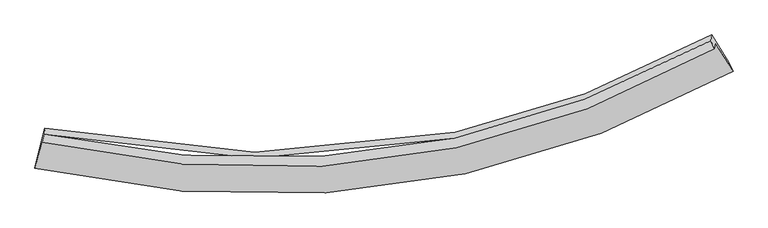
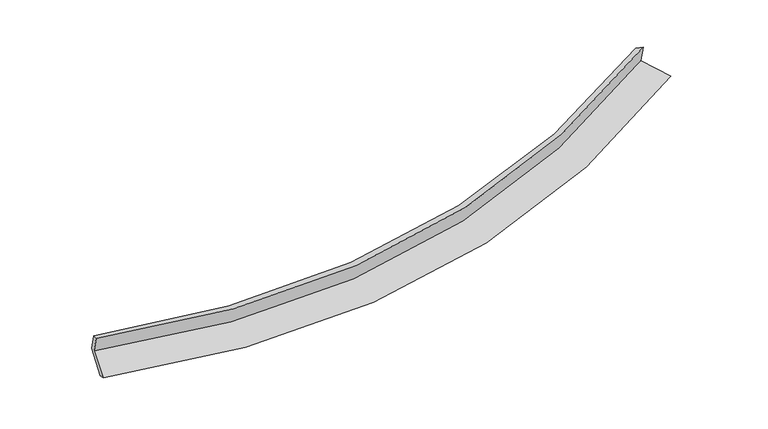
"""IFC4 building model written with IfcOpenShell, lengths in millimetres: proxy geometry."""

from ifc_helpers import new_model, si_unit, frame, origin, place, context, project, spatial, source, transform, mapped, element, save
from ifc_brep_helpers import plane_surface, spline_curve, spline_surface, advanced_brep


def generic_models_e8213ea3(model_context):
    return source(origin(), model_context, "Body", "AdvancedBrep", [
        advanced_brep(
        [(-7111.1659522, -2077.1838093, 1478.1006821), (-7269.5439875, -2697.1166669, 1287.441895), (6386.48191, -794.9292097, 2415.1160949), (6038.1365275, -247.0731369, 2563.848041), (-7126.2469669, -2187.9496002, 1850.7866506), (6022.6313796, -360.9540664, 2947.0153003), (-7088.2939933, -2026.3865867, 1798.2248566), (5950.1658176, -200.3822964, 2851.0413132), (-7073.2856454, -1916.1545127, 1427.3346486), (5965.5170919, -87.6315247, 2471.6766176), (-7230.3647188, -2527.9106745, 1214.8787687), (6306.2999257, -623.5936888, 2326.1736294)],
        [
            (0, 1),
            (1, 2, spline_curve(3, [(-7269.5439875, -2697.1166669, 1287.441895), (-4337.168734804, -3346.915655705, 1183.901368041), (-1532.682294112, -3382.595411198, 1276.225576396), (2949.644010091, -2413.919933466, 1758.837106429), (4697.166202051, -1744.17769278, 2042.404298928), (6386.48191, -794.9292097, 2415.1160949)], [4, 2, 4], [0.0, 27.122108975274763, 45.41965559504362])),
            (2, 3),
            (3, 0, spline_curve(3, [(6038.1365275, -247.0731369, 2563.848041), (4410.181378656, -1158.74831977, 2204.786385583), (2726.71276823, -1802.154691301, 1931.638438071), (-1589.929701175, -2733.351599724, 1466.870411861), (-4289.561917431, -2699.982118428, 1378.10257289), (-7111.1659522, -2077.1838093, 1478.1006821)], [4, 2, 4], [0.0, 18.29754661976886, 45.41965559504362])),
            (4, 0),
            (3, 5),
            (5, 4, spline_curve(3, [(6022.6313796, -360.9540664, 2947.0153003), (4394.439480218, -1274.368117168, 2593.804292769), (2710.852439805, -1918.644323891, 2323.583018181), (-1605.790301347, -2849.843221142, 1858.821686907), (-4305.162708742, -2814.565526166, 1763.63341144), (-7126.2469669, -2187.9496002, 1850.7866506)], [4, 2, 4], [0.0, 17.95035916459214, 44.557838709494106])),
            (6, 4),
            (5, 7),
            (7, 6, spline_curve(3, [(5950.1658176, -200.3822964, 2851.0413132), (4332.552526747, -1098.215737156, 2517.360192512), (2661.25580802, -1733.13444068, 2261.149576965), (-1620.629944974, -2656.552885015, 1817.46636285), (-4295.486495744, -2630.302278516, 1722.738159769), (-7088.2939933, -2026.3865867, 1798.2248566)], [4, 2, 4], [0.0, 17.868074458768326, 44.35358493291298])),
            (8, 6),
            (7, 9),
            (9, 8, spline_curve(3, [(5965.5170919, -87.6315247, 2471.6766176), (4348.16409822, -983.553153988, 2131.562958276), (2677.004263418, -1617.466484487, 1871.969633553), (-1604.848052003, -2540.63934531, 1427.460120936), (-4279.955796329, -2516.23367744, 1338.939456448), (-7073.2856454, -1916.1545127, 1427.3346486)], [4, 2, 4], [0.0, 17.786008083878713, 44.14987311510059])),
            (10, 8),
            (9, 11),
            (11, 10, spline_curve(3, [(6306.2999257, -623.5936888, 2326.1736294), (4629.54574174, -1557.533965328, 1974.556352454), (2895.981737764, -2218.250193817, 1704.471722153), (-1548.229509474, -3180.114739424, 1236.432682624), (-4326.887052965, -3154.170839613, 1136.085693056), (-7230.3647188, -2527.9106745, 1214.8787687)], [4, 2, 4], [0.0, 18.12840042730424, 44.99978718499921])),
            (1, 10),
            (11, 2),
        ],
        [
            spline_surface(3, 3, [[(-7111.1659522, -2077.1838093, 1478.1006821), (-4289.561917176, -2699.982118146, 1378.102572639), (-1589.929701247, -2733.351599359, 1466.870411796), (2726.712768279, -1802.154691547, 1931.638438115), (4410.181378883, -1158.748319567, 2204.786385292), (6038.1365275, -247.0731369, 2563.848041)], [(-7163.958630634, -2283.828095162, 1414.547753041), (-4305.430856516, -2915.626630583, 1313.368837755), (-1570.847232275, -2949.766203237, 1403.322133174), (2801.023182271, -2006.07643893, 1874.037994316), (4505.842986535, -1353.891443864, 2150.659023133), (6154.251654982, -429.691827827, 2514.270725649)], [(-7216.751309066, -2490.472381038, 1350.994824059), (-4321.299795856, -3131.271143035, 1248.635102948), (-1551.764763314, -3166.180807061, 1339.773854567), (2875.333596253, -2209.998186258, 1816.437550532), (4601.504594241, -1549.034568181, 2096.531660928), (6270.366782518, -612.310518773, 2464.693410251)], [(-7269.5439875, -2697.1166669, 1287.441895), (-4337.168735196, -3346.915655472, 1183.901368064), (-1532.682294342, -3382.59541094, 1276.225575945), (2949.644010245, -2413.919933641, 1758.837106733), (4697.166201893, -1744.177692478, 2042.404298769), (6386.48191, -794.9292097, 2415.1160949)]], [4, 4], [4, 2, 4], [0.0, 2.2006156090015003], [0.0, 27.122108975274763, 45.41965559504362]),
            spline_surface(3, 3, [[(-7126.2469669, -2187.9496002, 1850.7866506), (-4305.162709112, -2814.565525947, 1763.63341175), (-1605.790300934, -2849.843221437, 1858.821687113), (2710.852439526, -1918.644323692, 2323.583018042), (4394.439480164, -1274.368116924, 2593.804292577), (6022.6313796, -360.9540664, 2947.0153003)], [(-7121.219961998, -2151.027669906, 1726.557994448), (-4299.962445131, -2776.371056686, 1635.123132061), (-1600.503434378, -2811.012680739, 1728.171262008), (2716.139215771, -1879.814446305, 2192.934824734), (4399.686779747, -1235.828184456, 2464.131656812), (6027.799762244, -322.99375655, 2819.29288053)], [(-7116.192957102, -2114.105739594, 1602.329338252), (-4294.762181157, -2738.176587407, 1506.612852329), (-1595.216567803, -2772.182140057, 1597.520836901), (2721.425992034, -1840.984568934, 2062.286631423), (4404.934079299, -1197.288252036, 2334.459021057), (6032.968144856, -285.03344675, 2691.57046077)], [(-7111.1659522, -2077.1838093, 1478.1006821), (-4289.561917176, -2699.982118146, 1378.102572639), (-1589.929701247, -2733.351599359, 1466.870411796), (2726.712768279, -1802.154691547, 1931.638438115), (4410.181378883, -1158.748319567, 2204.786385292), (6038.1365275, -247.0731369, 2563.848041)]], [4, 4], [4, 2, 4], [0.0, 1.3407776345956157], [0.0, 26.607479544901967, 44.557838709494106]),
            spline_surface(3, 3, [[(-7088.2939933, -2026.3865867, 1798.2248566), (-4295.486496001, -2630.302278281, 1722.738159878), (-1620.629944563, -2656.552885058, 1817.466362933), (2661.255807743, -1733.134440651, 2261.149576909), (4332.552526642, -1098.215737062, 2517.360192753), (5950.1658176, -200.3822964, 2851.0413132)], [(-7100.944984519, -2080.240924553, 1815.745454592), (-4298.711900391, -2691.723360856, 1736.369910493), (-1615.683396693, -2720.98299718, 1831.251471014), (2677.788018331, -1794.971068327, 2281.960723974), (4353.181511158, -1156.933197017, 2542.841559369), (5974.321004942, -253.906219735, 2883.032642242)], [(-7113.595975681, -2134.095262347, 1833.266052608), (-4301.937304722, -2753.144443372, 1750.001661134), (-1610.736848805, -2785.413109315, 1845.036579032), (2694.320228938, -1856.807696016, 2302.771870977), (4373.810495648, -1215.650656969, 2568.32292596), (5998.476192258, -307.430143065, 2915.023971258)], [(-7126.2469669, -2187.9496002, 1850.7866506), (-4305.162709112, -2814.565525947, 1763.63341175), (-1605.790300934, -2849.843221437, 1858.821687113), (2710.852439526, -1918.644323692, 2323.583018042), (4394.439480164, -1274.368116924, 2593.804292577), (6022.6313796, -360.9540664, 2947.0153003)]], [4, 4], [4, 2, 4], [0.0, 0.6482881559980489], [0.0, 26.485510474144654, 44.35358493291298]),
            spline_surface(3, 3, [[(-7073.2856454, -1916.1545127, 1427.3346486), (-4279.955796235, -2516.233677449, 1338.939456333), (-1604.848052075, -2540.639345307, 1427.460121286), (2677.004263467, -1617.466484489, 1871.969633317), (4348.16409842, -983.553153952, 2131.562958001), (5965.5170919, -87.6315247, 2471.6766176)], [(-7078.288428043, -1952.898537343, 1550.964717955), (-4285.132696167, -2554.256544369, 1466.872357536), (-1610.108682886, -2579.277191874, 1557.462201822), (2671.754778244, -1656.02246986, 2001.696281168), (4342.960241139, -1021.774014982, 2260.162036241), (5960.400000445, -125.21511526, 2598.131516123)], [(-7083.291210657, -1989.642562057, 1674.594787245), (-4290.30959607, -2592.279411361, 1594.805258675), (-1615.369313752, -2617.915038491, 1687.464282397), (2666.505292966, -1694.578455281, 2131.422929058), (4337.756383923, -1059.994876032, 2388.761114512), (5955.282909055, -162.79870584, 2724.586414677)], [(-7088.2939933, -2026.3865867, 1798.2248566), (-4295.486496001, -2630.302278281, 1722.738159878), (-1620.629944563, -2656.552885058, 1817.466362933), (2661.255807743, -1733.134440651, 2261.149576909), (4332.552526642, -1098.215737062, 2517.360192753), (5950.1658176, -200.3822964, 2851.0413132)]], [4, 4], [4, 2, 4], [0.0, 1.333181968340113], [0.0, 26.363865031221877, 44.14987311510059]),
            spline_surface(3, 3, [[(-7230.3647188, -2527.9106745, 1214.8787687), (-4326.887053131, -3154.170839563, 1136.085692634), (-1548.229509077, -3180.114739339, 1236.432682683), (2895.981737496, -2218.250193874, 1704.471722113), (4629.545741551, -1557.533965553, 1974.556352291), (6306.2999257, -623.5936888, 2326.1736294)], [(-7178.005027636, -2323.991953906, 1285.697395306), (-4311.243300802, -2941.525118864, 1203.70361384), (-1567.102356766, -2966.95627466, 1300.108495554), (2822.98924613, -2017.988957411, 1760.304359185), (4535.751860502, -1366.207028376, 2026.891887512), (6192.705647761, -444.939634123, 2374.674625451)], [(-7125.645336564, -2120.073233294, 1356.516021994), (-4295.599548564, -2728.879398147, 1271.321535128), (-1585.975204386, -2753.797809986, 1363.784308414), (2749.996754833, -1817.727720952, 1816.136996245), (4441.957979469, -1174.88009113, 2079.22742278), (6079.111369839, -266.285579377, 2423.175621549)], [(-7073.2856454, -1916.1545127, 1427.3346486), (-4279.955796235, -2516.233677449, 1338.939456333), (-1604.848052075, -2540.639345307, 1427.460121286), (2677.004263467, -1617.466484489, 1871.969633317), (4348.16409842, -983.553153952, 2131.562958001), (5965.5170919, -87.6315247, 2471.6766176)]], [4, 4], [4, 2, 4], [0.0, 2.16733515174579], [0.0, 26.871386757694967, 44.99978718499921]),
            spline_surface(3, 3, [[(-7269.5439875, -2697.1166669, 1287.441895), (-4337.168735196, -3346.915655472, 1183.901368064), (-1532.682294342, -3382.59541094, 1276.225575945), (2949.644010245, -2413.919933641, 1758.837106733), (4697.166201893, -1744.177692478, 2042.404298769), (6386.48191, -794.9292097, 2415.1160949)], [(-7256.484231271, -2640.714669431, 1263.25418626), (-4333.741507845, -3282.6673835, 1167.962809614), (-1537.864699241, -3315.101853749, 1262.961278184), (2931.756586009, -2348.696687062, 1740.715311853), (4674.626048472, -1681.963116841, 2019.788316615), (6359.754581926, -737.817369405, 2385.468606405)], [(-7243.424475029, -2584.312671969, 1239.06647744), (-4330.314280482, -3218.419111535, 1152.024251085), (-1543.047104179, -3247.608296529, 1249.696980444), (2913.869161733, -2283.473440453, 1722.593516994), (4652.085894972, -1619.748541189, 1997.172334446), (6333.027253774, -680.705529095, 2355.821117895)], [(-7230.3647188, -2527.9106745, 1214.8787687), (-4326.887053131, -3154.170839563, 1136.085692634), (-1548.229509077, -3180.114739339, 1236.432682683), (2895.981737496, -2218.250193874, 1704.471722113), (4629.545741551, -1557.533965553, 1974.556352291), (6306.2999257, -623.5936888, 2326.1736294)]], [4, 4], [4, 2, 4], [0.0, 0.6765636251737861], [0.0, 27.507638868326737, 46.065277769188626]),
            plane_surface(frame((6111.5387754, -385.7606538, 2595.8118327), z_axis=(0.8514459459282016, 0.49230228910405216, 0.18077128451538016), x_axis=(-0.038759669341028445, -0.2846788171922425, 0.957839056979094))),
            plane_surface(frame((-7149.8168774, -2238.7836417, 1509.4612503), z_axis=(-0.9706827630735954, 0.23828578305626522, 0.03154138654328878), x_axis=(0.23721859434789233, 0.9285353286953537, 0.28556869902043125))),
        ],
        [
            (0, [[1, 2, 3, 4]]),
            (1, [[5, -4, 6, 7]]),
            (2, [[8, -7, 9, 10]]),
            (3, [[11, -10, 12, 13]]),
            (4, [[14, -13, 15, 16]]),
            (5, [[17, -16, 18, -2]]),
            (6, [[-12, -9, -6, -3, -18, -15]]),
            (7, [[-1, -5, -8, -11, -14, -17]]),
        ],
    ),
    ])


if __name__ == "__main__":
    model = new_model("IFC4")
    model_context = context("Model", 3, world=origin())
    ifc_project = project(units=[si_unit("LENGTHUNIT", "METRE", prefix="MILLI")], contexts=[model_context])
    site = spatial("IfcSite", under=ifc_project)
    building = spatial("IfcBuilding", under=site)
    placement = place(None, origin())
    generic_models_shape = generic_models_e8213ea3(model_context)
    element("IfcBuildingElementProxy", 1, Name="Generic Models", at=placement, inside=building, context=model_context, shape_type="MappedRepresentation", body=[
        mapped(generic_models_shape, transform((0.0, 0.0, 0.0), x_axis=(1.0, 0.0, 0.0), y_axis=(0.0, 1.0, 0.0), z_axis=(0.0, 0.0, 1.0))),
    ])
    save(model, "model.ifc")
